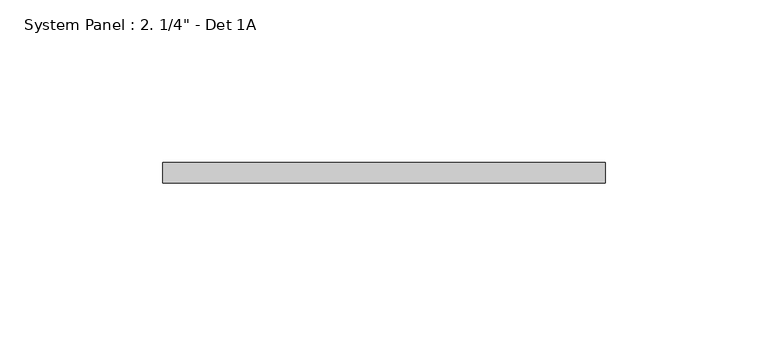
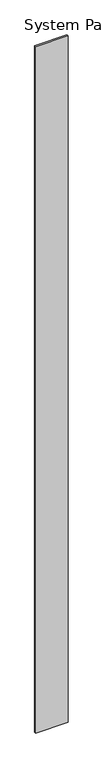
"""IFC4 building model written with IfcOpenShell, lengths in millimetres: plate geometry."""

from ifc_helpers import new_model, si_unit, origin, origin_with_axes, place, context, project, spatial, polyline, outline, extrude, source, transform, mapped, element, save


def plate_ea226da2(model_context):
    return source(origin(), model_context, "Body", "SweptSolid", [
        extrude(outline(polyline([(68.1281035, -6.35), (-68.1281035, -6.35), (-68.1281035, 0.0), (68.1281035, 0.0), (68.1281035, -6.35)])), origin_with_axes(), (0.0, 0.0, 1.0), 3048.0),
    ])


if __name__ == "__main__":
    model = new_model("IFC4")
    model_context = context("Model", 3, world=origin())
    ifc_project = project(units=[si_unit("LENGTHUNIT", "METRE", prefix="MILLI")], contexts=[model_context])
    site = spatial("IfcSite", under=ifc_project)
    building = spatial("IfcBuilding", under=site)
    placement = place(None, origin())
    plate_shape = plate_ea226da2(model_context)
    element("IfcPlate", 1, ObjectType="System Panel : 2. 1/4\" - Det 1A", at=placement, inside=building, context=model_context, shape_type="MappedRepresentation", body=[
        mapped(plate_shape, transform((0.0, 0.0, 0.0), x_axis=(1.0, 0.0, 0.0), y_axis=(0.0, 1.0, 0.0), z_axis=(0.0, 0.0, 1.0))),
    ])
    save(model, "model.ifc")
